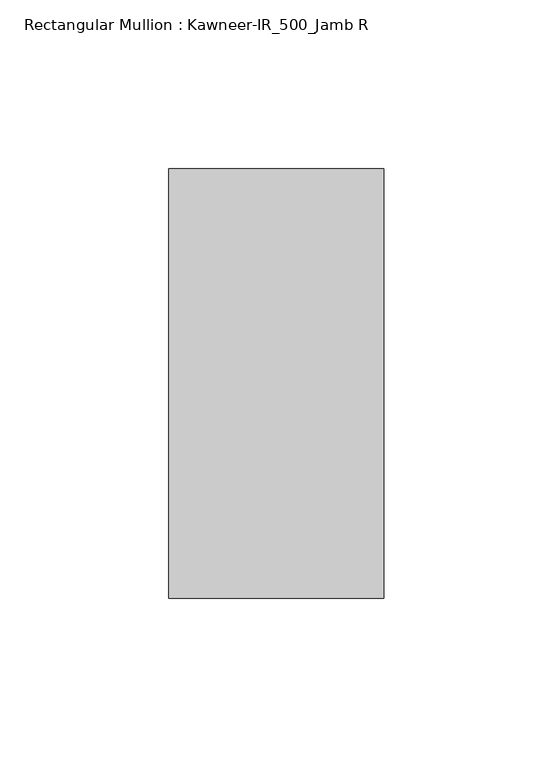
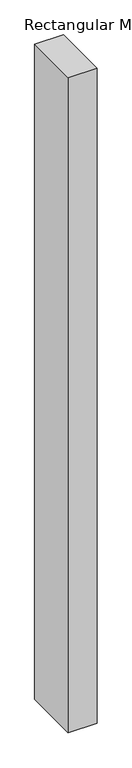
"""IFC4 building model written with IfcOpenShell, lengths in millimetres: member geometry, Rectangular Mullion : Kawneer-IR_500_Jamb R."""

from ifc_helpers import new_model, si_unit, frame, origin, place, context, project, spatial, polyline, outline, extrude, source, transform, mapped, element, save


def rectangular_mullion_kawneer_ir_500_jamb_r_5f1e7089(model_context):
    return source(origin(), model_context, "Body", "SweptSolid", [
        extrude(outline(polyline([(-31.8101331, 64.1096), (31.8101331, 64.1096), (31.8101331, -62.8904), (-31.8101331, -62.8904), (-31.8101331, 64.1096)])), frame((0.0, 0.0, -1524.0), z_axis=(0.0, 0.0, 1.0), x_axis=(1.0, 0.0, 0.0)), (0.0, 0.0, 1.0), 1524.0),
    ])


if __name__ == "__main__":
    model = new_model("IFC4")
    model_context = context("Model", 3, world=origin())
    ifc_project = project(units=[si_unit("LENGTHUNIT", "METRE", prefix="MILLI")], contexts=[model_context])
    site = spatial("IfcSite", under=ifc_project)
    building = spatial("IfcBuilding", under=site)
    placement = place(None, origin())
    rectangular_mullion_kawneer_ir_500_jamb_r_shape = rectangular_mullion_kawneer_ir_500_jamb_r_5f1e7089(model_context)
    element("IfcMember", 1, ObjectType="Rectangular Mullion : Kawneer-IR_500_Jamb R", at=placement, inside=building, context=model_context, shape_type="MappedRepresentation", body=[
        mapped(rectangular_mullion_kawneer_ir_500_jamb_r_shape, transform((0.0, 0.0, 0.0), x_axis=(1.0, 0.0, 0.0), y_axis=(0.0, 1.0, 0.0), z_axis=(0.0, 0.0, 1.0))),
    ])
    save(model, "model.ifc")
